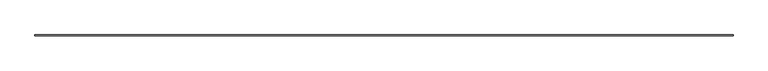
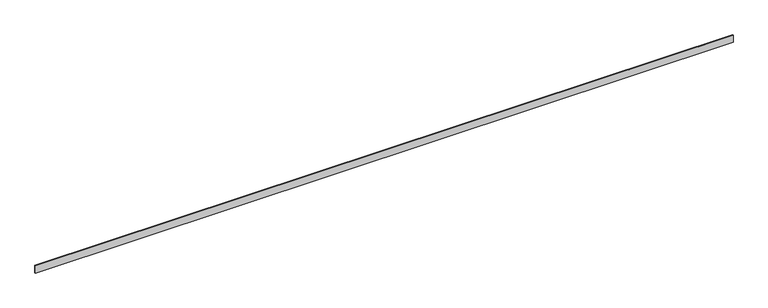
"""IFC4 building model written with IfcOpenShell, lengths in millimetres: furniture geometry."""

import ifcopenshell
import ifcopenshell.guid

model = None  # the IFC model being written
_history = None  # IfcOwnerHistory: only IFC2X3 demands one
_inside = {}  # id of a spatial element -> (the spatial element, [elements in it])
_under = {}  # id of a project, library or spatial element -> (it, [spatial elements below it])
_declared = {}  # id of a project -> (the project, [libraries it declares])
_typed = {}  # id of a type object -> (the type object, [elements of that type])
_made_of = {}  # id of a material, layer set ... -> (it, [elements and type objects made of it])


def new_model(schema):
    """Start an empty IFC model of exactly this schema.

    Asked for "IFC4X3", IfcOpenShell would pick the latest addendum, in which some entities
    have other attributes; the version numbers below select the first issue.
    IFC2X3 requires an IfcOwnerHistory on every rooted entity: one is made here for all.
    """
    global model, _history
    if schema == "IFC4X3":
        model = ifcopenshell.file(schema_version=(4, 3, 0, 0))
    else:
        model = ifcopenshell.file(schema=schema)
    _inside.clear()
    _under.clear()
    _declared.clear()
    _typed.clear()
    _made_of.clear()
    _history = None
    if model.schema == "IFC2X3":
        org = make("IfcOrganization", Name="unknown")
        user = make(
            "IfcPersonAndOrganization",
            ThePerson=make("IfcPerson", FamilyName="unknown"),
            TheOrganization=org,
        )
        app = make(
            "IfcApplication",
            ApplicationDeveloper=org,
            Version="unknown",
            ApplicationFullName="unknown",
            ApplicationIdentifier="unknown",
        )
        _history = make(
            "IfcOwnerHistory",
            OwningUser=user,
            OwningApplication=app,
            ChangeAction="ADDED",
            CreationDate=0,
        )
    return model


def make(cls, **values):
    """One entity of the class cls with the attributes given. An attribute that is None is left unset."""
    return model.create_entity(
        cls, **{name: value for name, value in values.items() if value is not None}
    )


def rooted(cls, **values):
    """An entity with a GlobalId (a new one), such as an element, a storey or a relation."""
    return make(cls, GlobalId=ifcopenshell.guid.new(), OwnerHistory=_history, **values)


def si_unit(unit_type, name, prefix=None):
    """IfcSIUnit, for example si_unit("LENGTHUNIT", "METRE", prefix="MILLI")."""
    return make("IfcSIUnit", UnitType=unit_type, Prefix=prefix, Name=name)


def assignment(units):
    """IfcUnitAssignment: the units of a project."""
    return None if units is None else make("IfcUnitAssignment", Units=units)


def point(xyz):
    """IfcCartesianPoint."""
    return None if xyz is None else make("IfcCartesianPoint", Coordinates=xyz)


def direction(xyz):
    """IfcDirection."""
    return None if xyz is None else make("IfcDirection", DirectionRatios=xyz)


def frame(location, z_axis=None, x_axis=None):
    """IfcAxis2Placement3D, a coordinate frame: its origin and axes. An axis left out is left unset."""
    return make(
        "IfcAxis2Placement3D",
        Location=point(location),
        Axis=direction(z_axis),
        RefDirection=direction(x_axis),
    )


def origin():
    """The frame at (0, 0, 0) with its axes left unset."""
    return frame((0.0, 0.0, 0.0))


def origin_with_axes():
    """The frame at (0, 0, 0) with the z axis (0, 0, 1) and the x axis (1, 0, 0) written out."""
    return frame((0.0, 0.0, 0.0), z_axis=(0.0, 0.0, 1.0), x_axis=(1.0, 0.0, 0.0))


def place(relative_to, where):
    """IfcLocalPlacement: puts the frame where relative to a parent placement (None: the world)."""
    return make(
        "IfcLocalPlacement", PlacementRelTo=relative_to, RelativePlacement=where
    )


def context(
    kind, dimensions, precision=None, world=None, true_north=None, identifier=None
):
    """IfcGeometricRepresentationContext, for example the 3D "Model" context."""
    return make(
        "IfcGeometricRepresentationContext",
        ContextIdentifier=identifier,
        ContextType=kind,
        CoordinateSpaceDimension=dimensions,
        Precision=precision,
        WorldCoordinateSystem=world,
        TrueNorth=true_north,
    )


def project(units=None, contexts=None):
    """IfcProject with its units and contexts."""
    return rooted(
        "IfcProject",
        Name="project",
        RepresentationContexts=contexts,
        UnitsInContext=assignment(units),
    )


def spatial(cls, under=None, at=None, **own):
    """A site, building, storey or space (cls), placed at a placement, below another one or the project."""
    s = rooted(cls, ObjectPlacement=at, **own)
    if under is not None:
        _under.setdefault(under.id(), (under, []))[1].append(s)
    return s


def polyline(points):
    """IfcPolyline through the points."""
    return make("IfcPolyline", Points=[point(p) for p in points])


def outline(outer, holes=None, kind="AREA"):
    """IfcArbitraryClosedProfileDef: a profile drawn as a closed curve; with holes, ...WithVoids."""
    if holes is None:
        return make("IfcArbitraryClosedProfileDef", ProfileType=kind, OuterCurve=outer)
    return make(
        "IfcArbitraryProfileDefWithVoids",
        ProfileType=kind,
        OuterCurve=outer,
        InnerCurves=holes,
    )


def extrude(swept, where, along, depth):
    """IfcExtrudedAreaSolid: the profile swept, set in the frame where, extruded along a direction by depth."""
    return make(
        "IfcExtrudedAreaSolid",
        SweptArea=swept,
        Position=where,
        ExtrudedDirection=direction(along),
        Depth=depth,
    )


def shape(context_of_items, identifier, shape_type, items):
    """IfcShapeRepresentation: the items that make up one representation, for example the "Body"."""
    return make(
        "IfcShapeRepresentation",
        ContextOfItems=context_of_items,
        RepresentationIdentifier=identifier,
        RepresentationType=shape_type,
        Items=items,
    )


def source(mapping_origin, context_of_items, identifier, shape_type, items):
    """IfcRepresentationMap: a shape defined once, which mapped items show again and again."""
    return make(
        "IfcRepresentationMap",
        MappingOrigin=mapping_origin,
        MappedRepresentation=shape(context_of_items, identifier, shape_type, items),
    )


def transform(
    local_origin,
    x_axis=None,
    y_axis=None,
    z_axis=None,
    scale=None,
    scale2=None,
    scale3=None,
    uniform=True,
):
    """IfcCartesianTransformationOperator3D, or its non-uniform kind. x_axis, y_axis, z_axis: its Axis1, 2, 3."""
    if uniform:
        return make(
            "IfcCartesianTransformationOperator3D",
            Axis1=direction(x_axis),
            Axis2=direction(y_axis),
            LocalOrigin=point(local_origin),
            Scale=scale,
            Axis3=direction(z_axis),
        )
    return make(
        "IfcCartesianTransformationOperator3DnonUniform",
        Axis1=direction(x_axis),
        Axis2=direction(y_axis),
        LocalOrigin=point(local_origin),
        Scale=scale,
        Axis3=direction(z_axis),
        Scale2=scale2,
        Scale3=scale3,
    )


def mapped(mapping_source, mapping_target):
    """IfcMappedItem: shows the shape of a source again, moved by a transform."""
    return make(
        "IfcMappedItem", MappingSource=mapping_source, MappingTarget=mapping_target
    )


def made_of(thing, what):
    """Note that an element or type object is made of a material, layer set ...; save() writes the relation."""
    if what is not None:
        _made_of.setdefault(what.id(), (what, []))[1].append(thing)
    return thing


def element(
    cls,
    number,
    at=None,
    inside=None,
    cuts=None,
    type_object=None,
    material=None,
    context=None,
    identifier="Body",
    shape_type=None,
    held_by="IfcProductDefinitionShape",
    body=None,
    shapes=None,
    **own,
):
    """One element of the class cls, such as IfcWall. Its Tag is "e" and its number.

    at: its placement. inside: the storey or other place that contains it. cuts: it is an
    opening in that element (IfcRelVoidsElement). A single representation is given by context,
    identifier, shape_type and body (its items); several are given by shapes. held_by: the class
    of the entity that holds the representations. save() writes the other relations.
    """
    e = rooted(cls, Tag="e%d" % number, ObjectPlacement=at, **own)
    if body is not None:
        shapes = [shape(context, identifier, shape_type, body)]
    if shapes is not None:
        e.Representation = make(held_by, Representations=shapes)
    if inside is not None:
        _inside.setdefault(inside.id(), (inside, []))[1].append(e)
    if cuts is not None:
        rooted(
            "IfcRelVoidsElement", RelatingBuildingElement=cuts, RelatedOpeningElement=e
        )
    if type_object is not None:
        _typed.setdefault(type_object.id(), (type_object, []))[1].append(e)
    return made_of(e, material)


def aggregate(whole, parts):
    """IfcRelAggregates: a whole, such as a stair, and the parts it consists of."""
    return rooted("IfcRelAggregates", RelatingObject=whole, RelatedObjects=parts)


def save(model, path):
    """Write the relations noted so far, then the file.

    IfcRelAggregates (storeys below a building ...), IfcRelContainedInSpatialStructure (elements
    in a storey), IfcRelDefinesByType, IfcRelAssociatesMaterial and IfcRelDeclares: one each for
    every whole, place, type object, material and project.
    """
    for whole, parts in _under.values():
        aggregate(whole, parts)
    for where, things in _inside.values():
        rooted(
            "IfcRelContainedInSpatialStructure",
            RelatedElements=things,
            RelatingStructure=where,
        )
    for kind, things in _typed.values():
        rooted("IfcRelDefinesByType", RelatedObjects=things, RelatingType=kind)
    for what, things in _made_of.values():
        rooted("IfcRelAssociatesMaterial", RelatedObjects=things, RelatingMaterial=what)
    for by, libraries in _declared.values():
        rooted("IfcRelDeclares", RelatingContext=by, RelatedDefinitions=libraries)
    model.write(path)


def furniture_41f19620(model_context):
    return source(origin(), model_context, "Body", "SweptSolid", [
        extrude(outline(polyline([(0.0, 0.0), (0.0, 10.0), (9252.5374314, 10.0), (9252.5374314, 0.0), (0.0, 0.0)])), origin_with_axes(), (0.0, 0.0, 1.0), 100.0),
    ])


if __name__ == "__main__":
    model = new_model("IFC4")
    model_context = context("Model", 3, world=origin())
    ifc_project = project(units=[si_unit("LENGTHUNIT", "METRE", prefix="MILLI")], contexts=[model_context])
    site = spatial("IfcSite", under=ifc_project)
    building = spatial("IfcBuilding", under=site)
    placement = place(None, origin())
    furniture_shape = furniture_41f19620(model_context)
    element("IfcFurniture", 1, at=placement, inside=building, context=model_context, shape_type="MappedRepresentation", body=[
        mapped(furniture_shape, transform((0.0, 0.0, 0.0), x_axis=(1.0, 0.0, 0.0), y_axis=(0.0, 1.0, 0.0), z_axis=(0.0, 0.0, 1.0))),
    ])
    save(model, "model.ifc")
